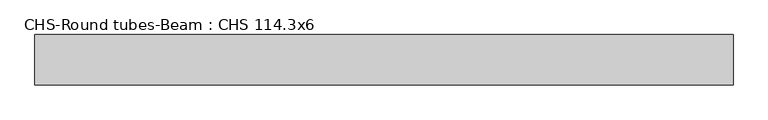
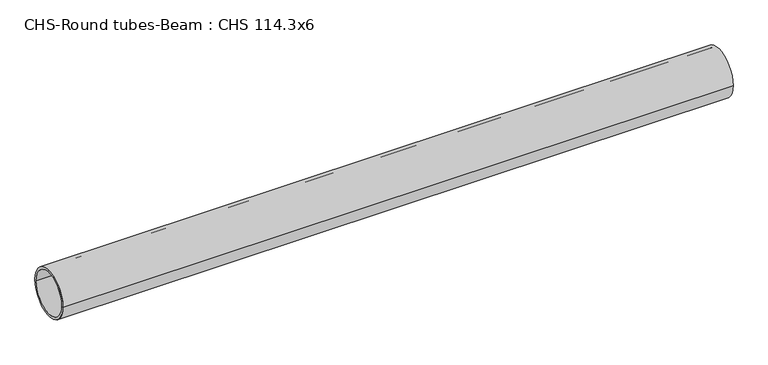
"""IFC4 building model written with IfcOpenShell, lengths in millimetres: beam geometry, CHS-Round tubes-Beam : CHS 114.3x6."""

import ifcopenshell
import ifcopenshell.guid

model = None  # the IFC model being written
_history = None  # IfcOwnerHistory: only IFC2X3 demands one
_inside = {}  # id of a spatial element -> (the spatial element, [elements in it])
_under = {}  # id of a project, library or spatial element -> (it, [spatial elements below it])
_declared = {}  # id of a project -> (the project, [libraries it declares])
_typed = {}  # id of a type object -> (the type object, [elements of that type])
_made_of = {}  # id of a material, layer set ... -> (it, [elements and type objects made of it])


def new_model(schema):
    """Start an empty IFC model of exactly this schema.

    Asked for "IFC4X3", IfcOpenShell would pick the latest addendum, in which some entities
    have other attributes; the version numbers below select the first issue.
    IFC2X3 requires an IfcOwnerHistory on every rooted entity: one is made here for all.
    """
    global model, _history
    if schema == "IFC4X3":
        model = ifcopenshell.file(schema_version=(4, 3, 0, 0))
    else:
        model = ifcopenshell.file(schema=schema)
    _inside.clear()
    _under.clear()
    _declared.clear()
    _typed.clear()
    _made_of.clear()
    _history = None
    if model.schema == "IFC2X3":
        org = make("IfcOrganization", Name="unknown")
        user = make(
            "IfcPersonAndOrganization",
            ThePerson=make("IfcPerson", FamilyName="unknown"),
            TheOrganization=org,
        )
        app = make(
            "IfcApplication",
            ApplicationDeveloper=org,
            Version="unknown",
            ApplicationFullName="unknown",
            ApplicationIdentifier="unknown",
        )
        _history = make(
            "IfcOwnerHistory",
            OwningUser=user,
            OwningApplication=app,
            ChangeAction="ADDED",
            CreationDate=0,
        )
    return model


def make(cls, **values):
    """One entity of the class cls with the attributes given. An attribute that is None is left unset."""
    return model.create_entity(
        cls, **{name: value for name, value in values.items() if value is not None}
    )


def rooted(cls, **values):
    """An entity with a GlobalId (a new one), such as an element, a storey or a relation."""
    return make(cls, GlobalId=ifcopenshell.guid.new(), OwnerHistory=_history, **values)


def si_unit(unit_type, name, prefix=None):
    """IfcSIUnit, for example si_unit("LENGTHUNIT", "METRE", prefix="MILLI")."""
    return make("IfcSIUnit", UnitType=unit_type, Prefix=prefix, Name=name)


def assignment(units):
    """IfcUnitAssignment: the units of a project."""
    return None if units is None else make("IfcUnitAssignment", Units=units)


def point(xyz):
    """IfcCartesianPoint."""
    return None if xyz is None else make("IfcCartesianPoint", Coordinates=xyz)


def direction(xyz):
    """IfcDirection."""
    return None if xyz is None else make("IfcDirection", DirectionRatios=xyz)


def frame(location, z_axis=None, x_axis=None):
    """IfcAxis2Placement3D, a coordinate frame: its origin and axes. An axis left out is left unset."""
    return make(
        "IfcAxis2Placement3D",
        Location=point(location),
        Axis=direction(z_axis),
        RefDirection=direction(x_axis),
    )


def frame_2d(location, x_axis=None):
    """IfcAxis2Placement2D, a coordinate frame in the plane: its origin and x axis."""
    return make(
        "IfcAxis2Placement2D", Location=point(location), RefDirection=direction(x_axis)
    )


def origin():
    """The frame at (0, 0, 0) with its axes left unset."""
    return frame((0.0, 0.0, 0.0))


def origin_2d():
    """The frame at (0, 0) in the plane with its x axis left unset."""
    return frame_2d((0.0, 0.0))


def place(relative_to, where):
    """IfcLocalPlacement: puts the frame where relative to a parent placement (None: the world)."""
    return make(
        "IfcLocalPlacement", PlacementRelTo=relative_to, RelativePlacement=where
    )


def context(
    kind, dimensions, precision=None, world=None, true_north=None, identifier=None
):
    """IfcGeometricRepresentationContext, for example the 3D "Model" context."""
    return make(
        "IfcGeometricRepresentationContext",
        ContextIdentifier=identifier,
        ContextType=kind,
        CoordinateSpaceDimension=dimensions,
        Precision=precision,
        WorldCoordinateSystem=world,
        TrueNorth=true_north,
    )


def project(units=None, contexts=None):
    """IfcProject with its units and contexts."""
    return rooted(
        "IfcProject",
        Name="project",
        RepresentationContexts=contexts,
        UnitsInContext=assignment(units),
    )


def spatial(cls, under=None, at=None, **own):
    """A site, building, storey or space (cls), placed at a placement, below another one or the project."""
    s = rooted(cls, ObjectPlacement=at, **own)
    if under is not None:
        _under.setdefault(under.id(), (under, []))[1].append(s)
    return s


def circle_curve(where, radius):
    """IfcCircle in the frame where."""
    return make("IfcCircle", Position=where, Radius=radius)


def trimmed(basis, trim1, trim2, sense, master):
    """IfcTrimmedCurve: the piece of a basis curve between two trims."""
    return make(
        "IfcTrimmedCurve",
        BasisCurve=basis,
        Trim1=trim1,
        Trim2=trim2,
        SenseAgreement=sense,
        MasterRepresentation=master,
    )


def segment(curve, same_sense, transition):
    """IfcCompositeCurveSegment."""
    return make(
        "IfcCompositeCurveSegment",
        Transition=transition,
        SameSense=same_sense,
        ParentCurve=curve,
    )


def composite_curve(segments, self_intersect=None):
    """IfcCompositeCurve: segments joined end to end."""
    return make("IfcCompositeCurve", Segments=segments, SelfIntersect=self_intersect)


def outline(outer, holes=None, kind="AREA"):
    """IfcArbitraryClosedProfileDef: a profile drawn as a closed curve; with holes, ...WithVoids."""
    if holes is None:
        return make("IfcArbitraryClosedProfileDef", ProfileType=kind, OuterCurve=outer)
    return make(
        "IfcArbitraryProfileDefWithVoids",
        ProfileType=kind,
        OuterCurve=outer,
        InnerCurves=holes,
    )


def extrude(swept, where, along, depth):
    """IfcExtrudedAreaSolid: the profile swept, set in the frame where, extruded along a direction by depth."""
    return make(
        "IfcExtrudedAreaSolid",
        SweptArea=swept,
        Position=where,
        ExtrudedDirection=direction(along),
        Depth=depth,
    )


def shape(context_of_items, identifier, shape_type, items):
    """IfcShapeRepresentation: the items that make up one representation, for example the "Body"."""
    return make(
        "IfcShapeRepresentation",
        ContextOfItems=context_of_items,
        RepresentationIdentifier=identifier,
        RepresentationType=shape_type,
        Items=items,
    )


def source(mapping_origin, context_of_items, identifier, shape_type, items):
    """IfcRepresentationMap: a shape defined once, which mapped items show again and again."""
    return make(
        "IfcRepresentationMap",
        MappingOrigin=mapping_origin,
        MappedRepresentation=shape(context_of_items, identifier, shape_type, items),
    )


def transform(
    local_origin,
    x_axis=None,
    y_axis=None,
    z_axis=None,
    scale=None,
    scale2=None,
    scale3=None,
    uniform=True,
):
    """IfcCartesianTransformationOperator3D, or its non-uniform kind. x_axis, y_axis, z_axis: its Axis1, 2, 3."""
    if uniform:
        return make(
            "IfcCartesianTransformationOperator3D",
            Axis1=direction(x_axis),
            Axis2=direction(y_axis),
            LocalOrigin=point(local_origin),
            Scale=scale,
            Axis3=direction(z_axis),
        )
    return make(
        "IfcCartesianTransformationOperator3DnonUniform",
        Axis1=direction(x_axis),
        Axis2=direction(y_axis),
        LocalOrigin=point(local_origin),
        Scale=scale,
        Axis3=direction(z_axis),
        Scale2=scale2,
        Scale3=scale3,
    )


def mapped(mapping_source, mapping_target):
    """IfcMappedItem: shows the shape of a source again, moved by a transform."""
    return make(
        "IfcMappedItem", MappingSource=mapping_source, MappingTarget=mapping_target
    )


def made_of(thing, what):
    """Note that an element or type object is made of a material, layer set ...; save() writes the relation."""
    if what is not None:
        _made_of.setdefault(what.id(), (what, []))[1].append(thing)
    return thing


def element(
    cls,
    number,
    at=None,
    inside=None,
    cuts=None,
    type_object=None,
    material=None,
    context=None,
    identifier="Body",
    shape_type=None,
    held_by="IfcProductDefinitionShape",
    body=None,
    shapes=None,
    **own,
):
    """One element of the class cls, such as IfcWall. Its Tag is "e" and its number.

    at: its placement. inside: the storey or other place that contains it. cuts: it is an
    opening in that element (IfcRelVoidsElement). A single representation is given by context,
    identifier, shape_type and body (its items); several are given by shapes. held_by: the class
    of the entity that holds the representations. save() writes the other relations.
    """
    e = rooted(cls, Tag="e%d" % number, ObjectPlacement=at, **own)
    if body is not None:
        shapes = [shape(context, identifier, shape_type, body)]
    if shapes is not None:
        e.Representation = make(held_by, Representations=shapes)
    if inside is not None:
        _inside.setdefault(inside.id(), (inside, []))[1].append(e)
    if cuts is not None:
        rooted(
            "IfcRelVoidsElement", RelatingBuildingElement=cuts, RelatedOpeningElement=e
        )
    if type_object is not None:
        _typed.setdefault(type_object.id(), (type_object, []))[1].append(e)
    return made_of(e, material)


def aggregate(whole, parts):
    """IfcRelAggregates: a whole, such as a stair, and the parts it consists of."""
    return rooted("IfcRelAggregates", RelatingObject=whole, RelatedObjects=parts)


def save(model, path):
    """Write the relations noted so far, then the file.

    IfcRelAggregates (storeys below a building ...), IfcRelContainedInSpatialStructure (elements
    in a storey), IfcRelDefinesByType, IfcRelAssociatesMaterial and IfcRelDeclares: one each for
    every whole, place, type object, material and project.
    """
    for whole, parts in _under.values():
        aggregate(whole, parts)
    for where, things in _inside.values():
        rooted(
            "IfcRelContainedInSpatialStructure",
            RelatedElements=things,
            RelatingStructure=where,
        )
    for kind, things in _typed.values():
        rooted("IfcRelDefinesByType", RelatedObjects=things, RelatingType=kind)
    for what, things in _made_of.values():
        rooted("IfcRelAssociatesMaterial", RelatedObjects=things, RelatingMaterial=what)
    for by, libraries in _declared.values():
        rooted("IfcRelDeclares", RelatingContext=by, RelatedDefinitions=libraries)
    model.write(path)


def chs_round_tubes_beam_chs_114_3x6_c074a2e2(model_context):
    return source(origin(), model_context, "Body", "SweptSolid", [
        extrude(outline(composite_curve([segment(trimmed(circle_curve(origin_2d(), 57.15), [point((57.15, 0.0))], [point((-57.15, 0.0))], False, "CARTESIAN"), True, "CONTINUOUS"), segment(trimmed(circle_curve(origin_2d(), 57.15), [point((-57.15, 0.0))], [point((57.15, 0.0))], False, "CARTESIAN"), True, "CONTINUOUS")], self_intersect=False), holes=[composite_curve([segment(trimmed(circle_curve(origin_2d(), 51.15), [point((51.15, 0.0))], [point((-51.15, 0.0))], True, "CARTESIAN"), True, "CONTINUOUS"), segment(trimmed(circle_curve(origin_2d(), 51.15), [point((-51.15, 0.0))], [point((51.15, 0.0))], True, "CARTESIAN"), True, "CONTINUOUS")], self_intersect=False)]), frame((-785.7047831, 0.0, 0.0), z_axis=(1.0, 0.0, 0.0), x_axis=(0.0, 1.0, 0.0)), (0.0, 0.0, 1.0), 1582.7418436),
    ])


if __name__ == "__main__":
    model = new_model("IFC4")
    model_context = context("Model", 3, world=origin())
    ifc_project = project(units=[si_unit("LENGTHUNIT", "METRE", prefix="MILLI")], contexts=[model_context])
    site = spatial("IfcSite", under=ifc_project)
    building = spatial("IfcBuilding", under=site)
    placement = place(None, origin())
    chs_round_tubes_beam_chs_114_3x6_shape = chs_round_tubes_beam_chs_114_3x6_c074a2e2(model_context)
    element("IfcBeam", 1, ObjectType="CHS-Round tubes-Beam : CHS 114.3x6", at=placement, inside=building, context=model_context, shape_type="MappedRepresentation", body=[
        mapped(chs_round_tubes_beam_chs_114_3x6_shape, transform((0.0, 0.0, 0.0), x_axis=(1.0, 0.0, 0.0), y_axis=(0.0, 1.0, 0.0), z_axis=(0.0, 0.0, 1.0))),
    ])
    save(model, "model.ifc")
